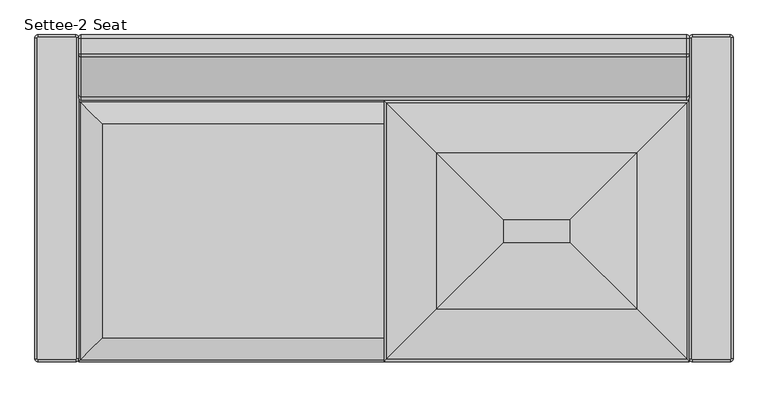
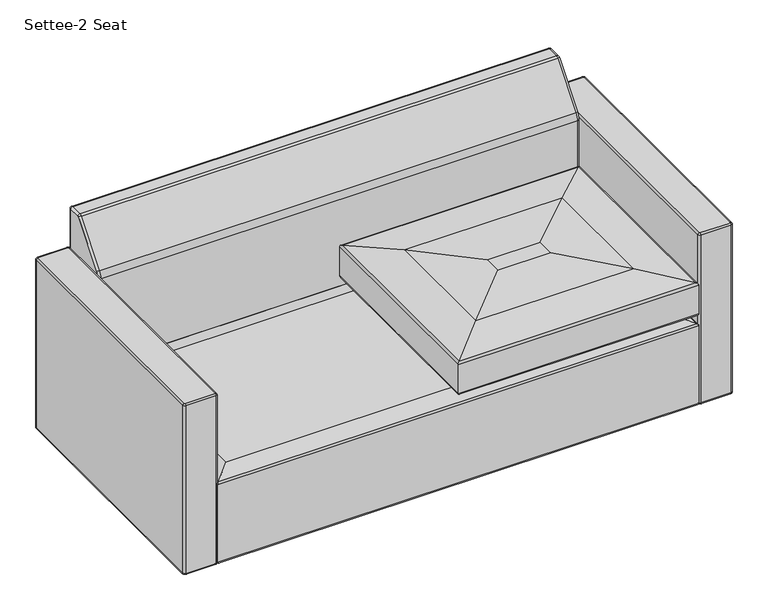
"""IFC4 building model written with IfcOpenShell, lengths in millimetres: furniture geometry, Settee-2 Seat."""

from ifc_helpers import new_model, si_unit, point, frame, origin, place, context, project, spatial, circle_curve, ellipse_curve, trimmed, source, transform, mapped, element, save
from ifc_brep_helpers import plane_surface, cylinder_surface, revolved_surface, advanced_brep


def settee_2_seat_960ef5c5(model_context):
    return source(origin(), model_context, "Body", "AdvancedBrep", [
        advanced_brep(
        [(0.0, -6.35, 61.722), (6.35, 0.0, 61.722), (6.35, -4.572, 57.15), (4.572, -6.35, 57.15), (0.0, -6.35, 585.8632541), (6.35, 0.0, 585.8632541), (4.572, -6.35, 590.4352541), (6.35, -4.572, 590.4352541), (4.572, -755.65, 57.15), (0.0, -755.65, 61.722), (0.0, -755.65, 585.8632541), (4.572, -755.65, 590.4352541), (6.35, -757.428, 57.15), (6.35, -762.0, 61.722), (6.35, -762.0, 585.8632541), (6.35, -757.428, 590.4352541), (95.25, -757.428, 57.15), (95.25, -762.0, 61.722), (95.25, -762.0, 585.8632541), (95.25, -757.428, 590.4352541), (97.028, -755.65, 57.15), (101.6, -755.65, 61.722), (101.6, -755.65, 585.8632541), (97.028, -755.65, 590.4352541), (97.028, -6.35, 57.15), (101.6, -6.35, 61.722), (101.6, -6.35, 585.8632541), (97.028, -6.35, 590.4352541), (95.25, -4.572, 57.15), (95.25, 0.0, 61.722), (95.25, 0.0, 585.8632541), (95.25, -4.572, 590.4352541)],
        [
            (0, 1, circle_curve(frame((6.35, -6.35, 61.722), z_axis=(0.0, 0.0, -1.0), x_axis=(0.0, 1.0, 0.0)), 6.35)),
            (1, 2, circle_curve(frame((6.35, -4.572, 61.722), z_axis=(-1.0, 0.0, 0.0), x_axis=(0.0, -1.0, 0.0)), 4.572)),
            (2, 3, circle_curve(frame((6.35, -6.35, 57.15), z_axis=(0.0, 0.0, 1.0), x_axis=(0.0, 1.0, 0.0)), 1.778)),
            (3, 0, circle_curve(frame((4.572, -6.35, 61.722), z_axis=(0.0, 1.0, 0.0), x_axis=(1.0, 0.0, 0.0)), 4.572)),
            (0, 4),
            (4, 5, circle_curve(frame((6.35, -6.35, 585.8632541), z_axis=(0.0, 0.0, -1.0), x_axis=(0.0, 1.0, 0.0)), 6.35)),
            (5, 1),
            (4, 6, circle_curve(frame((4.572, -6.35, 585.8632541), z_axis=(0.0, 1.0, 0.0), x_axis=(1.0, 0.0, 0.0)), 4.572)),
            (6, 7, circle_curve(frame((6.35, -6.35, 590.4352541), z_axis=(0.0, 0.0, -1.0), x_axis=(0.0, 1.0, 0.0)), 1.778)),
            (7, 5, circle_curve(frame((6.35, -4.572, 585.8632541), z_axis=(-1.0, 0.0, 0.0), x_axis=(0.0, -1.0, 0.0)), 4.572)),
            (3, 8),
            (8, 9, circle_curve(frame((4.572, -755.65, 61.722), z_axis=(0.0, 1.0, 0.0), x_axis=(1.0, 0.0, 0.0)), 4.572)),
            (9, 0),
            (9, 10),
            (10, 4),
            (10, 11, circle_curve(frame((4.572, -755.65, 585.8632541), z_axis=(0.0, 1.0, 0.0), x_axis=(1.0, 0.0, 0.0)), 4.572)),
            (11, 6),
            (8, 12, circle_curve(frame((6.35, -755.65, 57.15), z_axis=(0.0, 0.0, 1.0), x_axis=(-1.0, 0.0, 0.0)), 1.778)),
            (12, 13, circle_curve(frame((6.35, -757.428, 61.722), z_axis=(-1.0, 0.0, 0.0), x_axis=(0.0, 1.0, 0.0)), 4.572)),
            (13, 9, circle_curve(frame((6.35, -755.65, 61.722), z_axis=(0.0, 0.0, -1.0), x_axis=(-1.0, 0.0, 0.0)), 6.35)),
            (13, 14),
            (14, 10, circle_curve(frame((6.35, -755.65, 585.8632541), z_axis=(0.0, 0.0, -1.0), x_axis=(-1.0, 0.0, 0.0)), 6.35)),
            (14, 15, circle_curve(frame((6.35, -757.428, 585.8632541), z_axis=(-1.0, 0.0, 0.0), x_axis=(0.0, 1.0, 0.0)), 4.572)),
            (15, 11, circle_curve(frame((6.35, -755.65, 590.4352541), z_axis=(0.0, 0.0, -1.0), x_axis=(-1.0, 0.0, 0.0)), 1.778)),
            (12, 16),
            (16, 17, circle_curve(frame((95.25, -757.428, 61.722), z_axis=(-1.0, 0.0, 0.0), x_axis=(0.0, 1.0, 0.0)), 4.572)),
            (17, 13),
            (17, 18),
            (18, 14),
            (18, 19, circle_curve(frame((95.25, -757.428, 585.8632541), z_axis=(-1.0, 0.0, 0.0), x_axis=(0.0, 1.0, 0.0)), 4.572)),
            (19, 15),
            (16, 20, circle_curve(frame((95.25, -755.65, 57.15), z_axis=(0.0, 0.0, 1.0), x_axis=(0.0, -1.0, 0.0)), 1.778)),
            (20, 21, circle_curve(frame((97.028, -755.65, 61.722), z_axis=(0.0, -1.0, 0.0), x_axis=(-1.0, 0.0, 0.0)), 4.572)),
            (21, 17, circle_curve(frame((95.25, -755.65, 61.722), z_axis=(0.0, 0.0, -1.0), x_axis=(0.0, -1.0, 0.0)), 6.35)),
            (21, 22),
            (22, 18, circle_curve(frame((95.25, -755.65, 585.8632541), z_axis=(0.0, 0.0, -1.0), x_axis=(0.0, -1.0, 0.0)), 6.35)),
            (22, 23, circle_curve(frame((97.028, -755.65, 585.8632541), z_axis=(0.0, -1.0, 0.0), x_axis=(-1.0, 0.0, 0.0)), 4.572)),
            (23, 19, circle_curve(frame((95.25, -755.65, 590.4352541), z_axis=(0.0, 0.0, -1.0), x_axis=(0.0, -1.0, 0.0)), 1.778)),
            (20, 24),
            (24, 25, circle_curve(frame((97.028, -6.35, 61.722), z_axis=(0.0, -1.0, 0.0), x_axis=(-1.0, 0.0, 0.0)), 4.572)),
            (25, 21),
            (25, 26),
            (26, 22),
            (26, 27, circle_curve(frame((97.028, -6.35, 585.8632541), z_axis=(0.0, -1.0, 0.0), x_axis=(-1.0, 0.0, 0.0)), 4.572)),
            (27, 23),
            (24, 28, circle_curve(frame((95.25, -6.35, 57.15), z_axis=(0.0, 0.0, 1.0), x_axis=(1.0, 0.0, 0.0)), 1.778)),
            (28, 29, circle_curve(frame((95.25, -4.572, 61.722), z_axis=(1.0, 0.0, 0.0), x_axis=(0.0, -1.0, 0.0)), 4.572)),
            (29, 25, circle_curve(frame((95.25, -6.35, 61.722), z_axis=(0.0, 0.0, -1.0), x_axis=(1.0, 0.0, 0.0)), 6.35)),
            (29, 30),
            (30, 26, circle_curve(frame((95.25, -6.35, 585.8632541), z_axis=(0.0, 0.0, -1.0), x_axis=(1.0, 0.0, 0.0)), 6.35)),
            (30, 31, circle_curve(frame((95.25, -4.572, 585.8632541), z_axis=(1.0, 0.0, 0.0), x_axis=(0.0, -1.0, 0.0)), 4.572)),
            (31, 27, circle_curve(frame((95.25, -6.35, 590.4352541), z_axis=(0.0, 0.0, -1.0), x_axis=(1.0, 0.0, 0.0)), 1.778)),
            (2, 28),
            (1, 29),
            (5, 30),
            (7, 31),
        ],
        [
            revolved_surface(trimmed(ellipse_curve(frame((6.35, -4.572, 61.722), z_axis=(1.0, 0.0, 0.0), x_axis=(0.0, -1.0, 0.0)), 4.572, 4.572), [point((6.35, -4.572, 57.15))], [point((6.35, 0.0, 61.722))], True, "CARTESIAN"), (6.35, -6.35, 0.0), (0.0, 0.0, 1.0)),
            cylinder_surface(frame((6.35, -6.35, 0.0), z_axis=(0.0, 0.0, 1.0), x_axis=(0.0, 1.0, 0.0)), 6.35),
            revolved_surface(trimmed(ellipse_curve(frame((6.35, -4.572, 585.8632541), z_axis=(1.0, 0.0, 0.0), x_axis=(0.0, -1.0, 0.0)), 4.572, 4.572), [point((6.35, 0.0, 585.8632541))], [point((6.35, -4.572, 590.4352541))], True, "CARTESIAN"), (6.35, -6.35, 0.0), (0.0, 0.0, 1.0)),
            cylinder_surface(frame((4.572, -6.35, 61.722), z_axis=(0.0, 1.0, 0.0), x_axis=(1.0, 0.0, 0.0)), 4.572),
            plane_surface(frame((0.0, -6.35, 61.722), z_axis=(-1.0, 0.0, 0.0), x_axis=(0.0, -1.0, 0.0))),
            cylinder_surface(frame((4.572, -6.35, 585.8632541), z_axis=(0.0, 1.0, 0.0), x_axis=(1.0, 0.0, 0.0)), 4.572),
            revolved_surface(trimmed(ellipse_curve(frame((4.572, -755.65, 61.722), z_axis=(0.0, 1.0, 0.0), x_axis=(1.0, 0.0, 0.0)), 4.572, 4.572), [point((4.572, -755.65, 57.15))], [point((0.0, -755.65, 61.722))], True, "CARTESIAN"), (6.35, -755.65, 0.0), (0.0, 0.0, 1.0)),
            cylinder_surface(frame((6.35, -755.65, 0.0), z_axis=(0.0, 0.0, 1.0), x_axis=(-1.0, 0.0, 0.0)), 6.35),
            revolved_surface(trimmed(ellipse_curve(frame((4.572, -755.65, 585.8632541), z_axis=(0.0, 1.0, 0.0), x_axis=(1.0, 0.0, 0.0)), 4.572, 4.572), [point((0.0, -755.65, 585.8632541))], [point((4.572, -755.65, 590.4352541))], True, "CARTESIAN"), (6.35, -755.65, 0.0), (0.0, 0.0, 1.0)),
            cylinder_surface(frame((6.35, -757.428, 61.722), z_axis=(-1.0, 0.0, 0.0), x_axis=(0.0, 1.0, 0.0)), 4.572),
            plane_surface(frame((6.35, -762.0, 61.722), z_axis=(0.0, -1.0, 0.0), x_axis=(1.0, 0.0, 0.0))),
            cylinder_surface(frame((6.35, -757.428, 585.8632541), z_axis=(-1.0, 0.0, 0.0), x_axis=(0.0, 1.0, 0.0)), 4.572),
            revolved_surface(trimmed(ellipse_curve(frame((95.25, -757.428, 61.722), z_axis=(-1.0, 0.0, 0.0), x_axis=(0.0, 1.0, 0.0)), 4.572, 4.572), [point((95.25, -757.428, 57.15))], [point((95.25, -762.0, 61.722))], True, "CARTESIAN"), (95.25, -755.65, 0.0), (0.0, 0.0, 1.0)),
            cylinder_surface(frame((95.25, -755.65, 0.0), z_axis=(0.0, 0.0, 1.0), x_axis=(0.0, -1.0, 0.0)), 6.35),
            revolved_surface(trimmed(ellipse_curve(frame((95.25, -757.428, 585.8632541), z_axis=(-1.0, 0.0, 0.0), x_axis=(0.0, 1.0, 0.0)), 4.572, 4.572), [point((95.25, -762.0, 585.8632541))], [point((95.25, -757.428, 590.4352541))], True, "CARTESIAN"), (95.25, -755.65, 0.0), (0.0, 0.0, 1.0)),
            cylinder_surface(frame((97.028, -755.65, 61.722), z_axis=(0.0, -1.0, 0.0), x_axis=(-1.0, 0.0, 0.0)), 4.572),
            plane_surface(frame((101.6, -755.65, 61.722), z_axis=(1.0, 0.0, 0.0), x_axis=(0.0, 1.0, 0.0))),
            cylinder_surface(frame((97.028, -755.65, 585.8632541), z_axis=(0.0, -1.0, 0.0), x_axis=(-1.0, 0.0, 0.0)), 4.572),
            revolved_surface(trimmed(ellipse_curve(frame((97.028, -6.35, 61.722), z_axis=(0.0, -1.0, 0.0), x_axis=(-1.0, 0.0, 0.0)), 4.572, 4.572), [point((97.028, -6.35, 57.15))], [point((101.6, -6.35, 61.722))], True, "CARTESIAN"), (95.25, -6.35, 0.0), (0.0, 0.0, 1.0)),
            cylinder_surface(frame((95.25, -6.35, 0.0), z_axis=(0.0, 0.0, 1.0), x_axis=(1.0, 0.0, 0.0)), 6.35),
            revolved_surface(trimmed(ellipse_curve(frame((97.028, -6.35, 585.8632541), z_axis=(0.0, -1.0, 0.0), x_axis=(-1.0, 0.0, 0.0)), 4.572, 4.572), [point((101.6, -6.35, 585.8632541))], [point((97.028, -6.35, 590.4352541))], True, "CARTESIAN"), (95.25, -6.35, 0.0), (0.0, 0.0, 1.0)),
            plane_surface(frame((95.25, -5.588, 57.15), z_axis=(0.0, 0.0, -1.0), x_axis=(-1.0, 0.0, 0.0))),
            cylinder_surface(frame((95.25, -4.572, 61.722), z_axis=(1.0, 0.0, 0.0), x_axis=(0.0, -1.0, 0.0)), 4.572),
            plane_surface(frame((95.25, 0.0, 61.722), z_axis=(0.0, 1.0, 0.0), x_axis=(-1.0, 0.0, 0.0))),
            cylinder_surface(frame((95.25, -4.572, 585.8632541), z_axis=(1.0, 0.0, 0.0), x_axis=(0.0, -1.0, 0.0)), 4.572),
            plane_surface(frame((95.25, -4.572, 590.4352541), z_axis=(0.0, 0.0, 1.0), x_axis=(-1.0, 0.0, 0.0))),
        ],
        [
            (0, [[1, 2, 3, 4]]),
            (1, [[-1, 5, 6, 7]]),
            (2, [[-6, 8, 9, 10]]),
            (3, [[-4, 11, 12, 13]]),
            (4, [[-5, -13, 14, 15]]),
            (5, [[-8, -15, 16, 17]]),
            (6, [[-12, 18, 19, 20]]),
            (7, [[-14, -20, 21, 22]]),
            (8, [[-16, -22, 23, 24]]),
            (9, [[-19, 25, 26, 27]]),
            (10, [[-21, -27, 28, 29]]),
            (11, [[-23, -29, 30, 31]]),
            (12, [[-26, 32, 33, 34]]),
            (13, [[-28, -34, 35, 36]]),
            (14, [[-30, -36, 37, 38]]),
            (15, [[-33, 39, 40, 41]]),
            (16, [[-35, -41, 42, 43]]),
            (17, [[-37, -43, 44, 45]]),
            (18, [[-40, 46, 47, 48]]),
            (19, [[-42, -48, 49, 50]]),
            (20, [[-44, -50, 51, 52]]),
            (21, [[-3, 53, -46, -39, -32, -25, -18, -11]]),
            (22, [[-2, 54, -47, -53]]),
            (23, [[-7, 55, -49, -54]]),
            (24, [[-10, 56, -51, -55]]),
            (25, [[-9, -17, -24, -31, -38, -45, -52, -56]]),
        ],
    ),
        advanced_brep(
        [(101.6, -762.0, 63.5), (107.95, -755.65, 57.15), (1517.65, -755.65, 57.15), (1524.0, -762.0, 63.5), (1524.0, -762.0, 305.4352053), (101.6, -762.0, 305.4352053), (1520.344765, -758.344765, 311.1850523), (105.255235, -758.344765, 311.1850523), (1469.0981467, -707.0981467, 323.8599964), (156.5018533, -707.0981467, 323.8599964), (1517.65, -158.75, 57.15), (1524.0, -152.4, 63.5), (1524.0, -152.4, 305.4352053), (1520.344765, -156.055235, 311.1850523), (1469.0981467, -207.3018533, 323.8599964), (107.95, -158.75, 57.15), (101.6, -152.4, 63.5), (101.6, -152.4, 305.4352053), (105.255235, -156.055235, 311.1850523), (156.5018533, -207.3018533, 323.8599964)],
        [
            (0, 1, ellipse_curve(frame((107.95, -755.65, 63.5), z_axis=(0.7071067811865475, -0.7071067811865475, 0.0), x_axis=(-0.7071067811865476, -0.7071067811865474, 0.0)), 8.9802561, 6.35)),
            (1, 2),
            (2, 3, ellipse_curve(frame((1517.65, -755.65, 63.5), z_axis=(-0.7071067811865475, -0.7071067811865475, 0.0), x_axis=(-0.7071067811865476, 0.7071067811865474, 0.0)), 8.9802561, 6.35)),
            (3, 0),
            (3, 4),
            (4, 5),
            (5, 0),
            (4, 6, ellipse_curve(frame((1517.65, -755.65, 305.4352053), z_axis=(-0.7071067811865475, -0.7071067811865475, 0.0), x_axis=(-0.7071067811865476, 0.7071067811865474, 0.0)), 8.9802561, 6.35)),
            (6, 7),
            (7, 5, ellipse_curve(frame((107.95, -755.65, 305.4352053), z_axis=(0.7071067811865475, -0.7071067811865475, 0.0), x_axis=(-0.7071067811865476, -0.7071067811865474, 0.0)), 8.9802561, 6.35)),
            (6, 8, ellipse_curve(frame((1462.7694749, -700.7694749, 188.3360783), z_axis=(-0.7071067811865475, -0.7071067811865475, 0.0), x_axis=(-0.7071067811865476, 0.7071067811865474, 0.0)), 191.8686241, 135.6716052)),
            (8, 9),
            (9, 7, ellipse_curve(frame((162.8305251, -700.7694749, 188.3360783), z_axis=(0.7071067811865475, -0.7071067811865475, 0.0), x_axis=(-0.7071067811865476, -0.7071067811865474, 0.0)), 191.8686241, 135.6716052)),
            (2, 10),
            (10, 11, ellipse_curve(frame((1517.65, -158.75, 63.5), z_axis=(0.7071067811865475, -0.7071067811865475, 0.0), x_axis=(-0.7071067811865474, -0.7071067811865476, 0.0)), 8.9802561, 6.35)),
            (11, 3),
            (11, 12),
            (12, 4),
            (12, 13, ellipse_curve(frame((1517.65, -158.75, 305.4352053), z_axis=(0.7071067811865475, -0.7071067811865475, 0.0), x_axis=(-0.7071067811865474, -0.7071067811865476, 0.0)), 8.9802561, 6.35)),
            (13, 6),
            (13, 14, ellipse_curve(frame((1462.7694749, -213.6305251, 188.3360783), z_axis=(0.7071067811865475, -0.7071067811865475, 0.0), x_axis=(-0.7071067811865474, -0.7071067811865476, 0.0)), 191.8686241, 135.6716052)),
            (14, 8),
            (10, 15),
            (15, 16, ellipse_curve(frame((107.95, -158.75, 63.5), z_axis=(0.7071067811865475, 0.7071067811865475, 0.0), x_axis=(0.7071067811865476, -0.7071067811865474, 0.0)), 8.9802561, 6.35)),
            (16, 11),
            (16, 17),
            (17, 12),
            (17, 18, ellipse_curve(frame((107.95, -158.75, 305.4352053), z_axis=(0.7071067811865475, 0.7071067811865475, 0.0), x_axis=(0.7071067811865476, -0.7071067811865474, 0.0)), 8.9802561, 6.35)),
            (18, 13),
            (18, 19, ellipse_curve(frame((162.8305251, -213.6305251, 188.3360783), z_axis=(0.7071067811865475, 0.7071067811865475, 0.0), x_axis=(0.7071067811865476, -0.7071067811865474, 0.0)), 191.8686241, 135.6716052)),
            (19, 14),
            (1, 15),
            (0, 16),
            (5, 17),
            (7, 18),
            (9, 19),
        ],
        [
            cylinder_surface(frame((101.6, -755.65, 63.5), z_axis=(-1.0, 0.0, 0.0), x_axis=(0.0, 1.0, 0.0)), 6.35),
            plane_surface(frame((101.6, -762.0, 63.5), z_axis=(0.0, -1.0, 0.0), x_axis=(1.0, 0.0, 0.0))),
            cylinder_surface(frame((101.6, -755.65, 305.4352053), z_axis=(-1.0, 0.0, 0.0), x_axis=(0.0, 1.0, 0.0)), 6.35),
            cylinder_surface(frame((101.6, -700.7694749, 188.3360783), z_axis=(-1.0, 0.0, 0.0), x_axis=(0.0, 1.0, 0.0)), 135.6716052),
            cylinder_surface(frame((1517.65, -762.0, 63.5), z_axis=(0.0, -1.0, 0.0), x_axis=(-1.0, 0.0, 0.0)), 6.35),
            plane_surface(frame((1524.0, -762.0, 63.5), z_axis=(1.0, 0.0, 0.0), x_axis=(0.0, 1.0, 0.0))),
            cylinder_surface(frame((1517.65, -762.0, 305.4352053), z_axis=(0.0, -1.0, 0.0), x_axis=(-1.0, 0.0, 0.0)), 6.35),
            cylinder_surface(frame((1462.7694749, -762.0, 188.3360783), z_axis=(0.0, -1.0, 0.0), x_axis=(-1.0, 0.0, 0.0)), 135.6716052),
            cylinder_surface(frame((1524.0, -158.75, 63.5), z_axis=(1.0, 0.0, 0.0), x_axis=(0.0, -1.0, 0.0)), 6.35),
            plane_surface(frame((1524.0, -152.4, 63.5), z_axis=(0.0, 1.0, 0.0), x_axis=(-1.0, 0.0, 0.0))),
            cylinder_surface(frame((1524.0, -158.75, 305.4352053), z_axis=(1.0, 0.0, 0.0), x_axis=(0.0, -1.0, 0.0)), 6.35),
            cylinder_surface(frame((1524.0, -213.6305251, 188.3360783), z_axis=(1.0, 0.0, 0.0), x_axis=(0.0, -1.0, 0.0)), 135.6716052),
            plane_surface(frame((381.0, -431.8, 57.15), z_axis=(0.0, 0.0, -1.0), x_axis=(0.0, -1.0, 0.0))),
            cylinder_surface(frame((107.95, -152.4, 63.5), z_axis=(0.0, 1.0, 0.0), x_axis=(1.0, 0.0, 0.0)), 6.35),
            plane_surface(frame((101.6, -152.4, 63.5), z_axis=(-1.0, 0.0, 0.0), x_axis=(0.0, -1.0, 0.0))),
            cylinder_surface(frame((107.95, -152.4, 305.4352053), z_axis=(0.0, 1.0, 0.0), x_axis=(1.0, 0.0, 0.0)), 6.35),
            cylinder_surface(frame((162.8305251, -152.4, 188.3360783), z_axis=(0.0, 1.0, 0.0), x_axis=(1.0, 0.0, 0.0)), 135.6716052),
            plane_surface(frame((156.5018533, -207.3018533, 323.8599964), z_axis=(0.0, 0.0, 1.0), x_axis=(0.0, -1.0, 0.0))),
        ],
        [
            (0, [[1, 2, 3, 4]]),
            (1, [[-4, 5, 6, 7]]),
            (2, [[-6, 8, 9, 10]]),
            (3, [[-9, 11, 12, 13]]),
            (4, [[-3, 14, 15, 16]]),
            (5, [[-5, -16, 17, 18]]),
            (6, [[-8, -18, 19, 20]]),
            (7, [[-11, -20, 21, 22]]),
            (8, [[-15, 23, 24, 25]]),
            (9, [[-17, -25, 26, 27]]),
            (10, [[-19, -27, 28, 29]]),
            (11, [[-21, -29, 30, 31]]),
            (12, [[-2, 32, -23, -14]]),
            (13, [[-1, 33, -24, -32]]),
            (14, [[-7, 34, -26, -33]]),
            (15, [[-10, 35, -28, -34]]),
            (16, [[-13, 36, -30, -35]]),
            (17, [[-12, -22, -31, -36]]),
        ],
    ),
        advanced_brep(
        [(1524.0, -6.35, 61.722), (1530.35, 0.0, 61.722), (1530.35, -4.572, 57.15), (1528.572, -6.35, 57.15), (1524.0, -6.35, 585.8632541), (1530.35, 0.0, 585.8632541), (1528.572, -6.35, 590.4352541), (1530.35, -4.572, 590.4352541), (1528.572, -755.526553, 57.15), (1524.0, -755.526553, 61.722), (1524.0, -755.526553, 585.8632541), (1528.572, -755.526553, 590.4352541), (1530.35, -757.304553, 57.15), (1530.35, -761.876553, 61.722), (1530.35, -761.876553, 585.8632541), (1530.35, -757.304553, 590.4352541), (1619.25, -757.304553, 57.15), (1619.25, -761.876553, 61.722), (1619.25, -761.876553, 585.8632541), (1619.25, -757.304553, 590.4352541), (1621.028, -755.526553, 57.15), (1625.6, -755.526553, 61.722), (1625.6, -755.526553, 585.8632541), (1621.028, -755.526553, 590.4352541), (1621.028, -6.35, 57.15), (1625.6, -6.35, 61.722), (1625.6, -6.35, 585.8632541), (1621.028, -6.35, 590.4352541), (1619.25, -4.572, 57.15), (1619.25, 0.0, 61.722), (1619.25, 0.0, 585.8632541), (1619.25, -4.572, 590.4352541)],
        [
            (0, 1, circle_curve(frame((1530.35, -6.35, 61.722), z_axis=(0.0, 0.0, -1.0), x_axis=(0.0, 1.0, 0.0)), 6.35)),
            (1, 2, circle_curve(frame((1530.35, -4.572, 61.722), z_axis=(-1.0, 0.0, 0.0), x_axis=(0.0, -1.0, 0.0)), 4.572)),
            (2, 3, circle_curve(frame((1530.35, -6.35, 57.15), z_axis=(0.0, 0.0, 1.0), x_axis=(0.0, 1.0, 0.0)), 1.778)),
            (3, 0, circle_curve(frame((1528.572, -6.35, 61.722), z_axis=(0.0, 1.0, 0.0), x_axis=(1.0, 0.0, 0.0)), 4.572)),
            (0, 4),
            (4, 5, circle_curve(frame((1530.35, -6.35, 585.8632541), z_axis=(0.0, 0.0, -1.0), x_axis=(0.0, 1.0, 0.0)), 6.35)),
            (5, 1),
            (4, 6, circle_curve(frame((1528.572, -6.35, 585.8632541), z_axis=(0.0, 1.0, 0.0), x_axis=(1.0, 0.0, 0.0)), 4.572)),
            (6, 7, circle_curve(frame((1530.35, -6.35, 590.4352541), z_axis=(0.0, 0.0, -1.0), x_axis=(0.0, 1.0, 0.0)), 1.778)),
            (7, 5, circle_curve(frame((1530.35, -4.572, 585.8632541), z_axis=(-1.0, 0.0, 0.0), x_axis=(0.0, -1.0, 0.0)), 4.572)),
            (3, 8),
            (8, 9, circle_curve(frame((1528.572, -755.526553, 61.722), z_axis=(0.0, 1.0, 0.0), x_axis=(1.0, 0.0, 0.0)), 4.572)),
            (9, 0),
            (9, 10),
            (10, 4),
            (10, 11, circle_curve(frame((1528.572, -755.526553, 585.8632541), z_axis=(0.0, 1.0, 0.0), x_axis=(1.0, 0.0, 0.0)), 4.572)),
            (11, 6),
            (8, 12, circle_curve(frame((1530.35, -755.526553, 57.15), z_axis=(0.0, 0.0, 1.0), x_axis=(-1.0, 0.0, 0.0)), 1.778)),
            (12, 13, circle_curve(frame((1530.35, -757.304553, 61.722), z_axis=(-1.0, 0.0, 0.0), x_axis=(0.0, 1.0, 0.0)), 4.572)),
            (13, 9, circle_curve(frame((1530.35, -755.526553, 61.722), z_axis=(0.0, 0.0, -1.0), x_axis=(-1.0, 0.0, 0.0)), 6.35)),
            (13, 14),
            (14, 10, circle_curve(frame((1530.35, -755.526553, 585.8632541), z_axis=(0.0, 0.0, -1.0), x_axis=(-1.0, 0.0, 0.0)), 6.35)),
            (14, 15, circle_curve(frame((1530.35, -757.304553, 585.8632541), z_axis=(-1.0, 0.0, 0.0), x_axis=(0.0, 1.0, 0.0)), 4.572)),
            (15, 11, circle_curve(frame((1530.35, -755.526553, 590.4352541), z_axis=(0.0, 0.0, -1.0), x_axis=(-1.0, 0.0, 0.0)), 1.778)),
            (12, 16),
            (16, 17, circle_curve(frame((1619.25, -757.304553, 61.722), z_axis=(-1.0, 0.0, 0.0), x_axis=(0.0, 1.0, 0.0)), 4.572)),
            (17, 13),
            (17, 18),
            (18, 14),
            (18, 19, circle_curve(frame((1619.25, -757.304553, 585.8632541), z_axis=(-1.0, 0.0, 0.0), x_axis=(0.0, 1.0, 0.0)), 4.572)),
            (19, 15),
            (16, 20, circle_curve(frame((1619.25, -755.526553, 57.15), z_axis=(0.0, 0.0, 1.0), x_axis=(0.0, -1.0, 0.0)), 1.778)),
            (20, 21, circle_curve(frame((1621.028, -755.526553, 61.722), z_axis=(0.0, -1.0, 0.0), x_axis=(-1.0, 0.0, 0.0)), 4.572)),
            (21, 17, circle_curve(frame((1619.25, -755.526553, 61.722), z_axis=(0.0, 0.0, -1.0), x_axis=(0.0, -1.0, 0.0)), 6.35)),
            (21, 22),
            (22, 18, circle_curve(frame((1619.25, -755.526553, 585.8632541), z_axis=(0.0, 0.0, -1.0), x_axis=(0.0, -1.0, 0.0)), 6.35)),
            (22, 23, circle_curve(frame((1621.028, -755.526553, 585.8632541), z_axis=(0.0, -1.0, 0.0), x_axis=(-1.0, 0.0, 0.0)), 4.572)),
            (23, 19, circle_curve(frame((1619.25, -755.526553, 590.4352541), z_axis=(0.0, 0.0, -1.0), x_axis=(0.0, -1.0, 0.0)), 1.778)),
            (20, 24),
            (24, 25, circle_curve(frame((1621.028, -6.35, 61.722), z_axis=(0.0, -1.0, 0.0), x_axis=(-1.0, 0.0, 0.0)), 4.572)),
            (25, 21),
            (25, 26),
            (26, 22),
            (26, 27, circle_curve(frame((1621.028, -6.35, 585.8632541), z_axis=(0.0, -1.0, 0.0), x_axis=(-1.0, 0.0, 0.0)), 4.572)),
            (27, 23),
            (24, 28, circle_curve(frame((1619.25, -6.35, 57.15), z_axis=(0.0, 0.0, 1.0), x_axis=(1.0, 0.0, 0.0)), 1.778)),
            (28, 29, circle_curve(frame((1619.25, -4.572, 61.722), z_axis=(1.0, 0.0, 0.0), x_axis=(0.0, -1.0, 0.0)), 4.572)),
            (29, 25, circle_curve(frame((1619.25, -6.35, 61.722), z_axis=(0.0, 0.0, -1.0), x_axis=(1.0, 0.0, 0.0)), 6.35)),
            (29, 30),
            (30, 26, circle_curve(frame((1619.25, -6.35, 585.8632541), z_axis=(0.0, 0.0, -1.0), x_axis=(1.0, 0.0, 0.0)), 6.35)),
            (30, 31, circle_curve(frame((1619.25, -4.572, 585.8632541), z_axis=(1.0, 0.0, 0.0), x_axis=(0.0, -1.0, 0.0)), 4.572)),
            (31, 27, circle_curve(frame((1619.25, -6.35, 590.4352541), z_axis=(0.0, 0.0, -1.0), x_axis=(1.0, 0.0, 0.0)), 1.778)),
            (2, 28),
            (1, 29),
            (5, 30),
            (7, 31),
        ],
        [
            revolved_surface(trimmed(ellipse_curve(frame((1530.35, -4.572, 61.722), z_axis=(1.0, 0.0, 0.0), x_axis=(0.0, -1.0, 0.0)), 4.572, 4.572), [point((1530.35, -4.572, 57.15))], [point((1530.35, 0.0, 61.722))], True, "CARTESIAN"), (1530.35, -6.35, 0.0), (0.0, 0.0, 1.0)),
            cylinder_surface(frame((1530.35, -6.35, 0.0), z_axis=(0.0, 0.0, 1.0), x_axis=(0.0, 1.0, 0.0)), 6.35),
            revolved_surface(trimmed(ellipse_curve(frame((1530.35, -4.572, 585.8632541), z_axis=(1.0, 0.0, 0.0), x_axis=(0.0, -1.0, 0.0)), 4.572, 4.572), [point((1530.35, 0.0, 585.8632541))], [point((1530.35, -4.572, 590.4352541))], True, "CARTESIAN"), (1530.35, -6.35, 0.0), (0.0, 0.0, 1.0)),
            cylinder_surface(frame((1528.572, -6.35, 61.722), z_axis=(0.0, 1.0, 0.0), x_axis=(1.0, 0.0, 0.0)), 4.572),
            plane_surface(frame((1524.0, -6.35, 61.722), z_axis=(-1.0, 0.0, 0.0), x_axis=(0.0, -1.0, 0.0))),
            cylinder_surface(frame((1528.572, -6.35, 585.8632541), z_axis=(0.0, 1.0, 0.0), x_axis=(1.0, 0.0, 0.0)), 4.572),
            revolved_surface(trimmed(ellipse_curve(frame((1528.572, -755.526553, 61.722), z_axis=(0.0, 1.0, 0.0), x_axis=(1.0, 0.0, 0.0)), 4.572, 4.572), [point((1528.572, -755.526553, 57.15))], [point((1524.0, -755.526553, 61.722))], True, "CARTESIAN"), (1530.35, -755.526553, 0.0), (0.0, 0.0, 1.0)),
            cylinder_surface(frame((1530.35, -755.526553, 0.0), z_axis=(0.0, 0.0, 1.0), x_axis=(-1.0, 0.0, 0.0)), 6.35),
            revolved_surface(trimmed(ellipse_curve(frame((1528.572, -755.526553, 585.8632541), z_axis=(0.0, 1.0, 0.0), x_axis=(1.0, 0.0, 0.0)), 4.572, 4.572), [point((1524.0, -755.526553, 585.8632541))], [point((1528.572, -755.526553, 590.4352541))], True, "CARTESIAN"), (1530.35, -755.526553, 0.0), (0.0, 0.0, 1.0)),
            cylinder_surface(frame((1530.35, -757.304553, 61.722), z_axis=(-1.0, 0.0, 0.0), x_axis=(0.0, 1.0, 0.0)), 4.572),
            plane_surface(frame((1530.35, -761.876553, 61.722), z_axis=(0.0, -1.0, 0.0), x_axis=(1.0, 0.0, 0.0))),
            cylinder_surface(frame((1530.35, -757.304553, 585.8632541), z_axis=(-1.0, 0.0, 0.0), x_axis=(0.0, 1.0, 0.0)), 4.572),
            revolved_surface(trimmed(ellipse_curve(frame((1619.25, -757.304553, 61.722), z_axis=(-1.0, 0.0, 0.0), x_axis=(0.0, 1.0, 0.0)), 4.572, 4.572), [point((1619.25, -757.304553, 57.15))], [point((1619.25, -761.876553, 61.722))], True, "CARTESIAN"), (1619.25, -755.526553, 0.0), (0.0, 0.0, 1.0)),
            cylinder_surface(frame((1619.25, -755.526553, 0.0), z_axis=(0.0, 0.0, 1.0), x_axis=(0.0, -1.0, 0.0)), 6.35),
            revolved_surface(trimmed(ellipse_curve(frame((1619.25, -757.304553, 585.8632541), z_axis=(-1.0, 0.0, 0.0), x_axis=(0.0, 1.0, 0.0)), 4.572, 4.572), [point((1619.25, -761.876553, 585.8632541))], [point((1619.25, -757.304553, 590.4352541))], True, "CARTESIAN"), (1619.25, -755.526553, 0.0), (0.0, 0.0, 1.0)),
            cylinder_surface(frame((1621.028, -755.526553, 61.722), z_axis=(0.0, -1.0, 0.0), x_axis=(-1.0, 0.0, 0.0)), 4.572),
            plane_surface(frame((1625.6, -755.526553, 61.722), z_axis=(1.0, 0.0, 0.0), x_axis=(0.0, 1.0, 0.0))),
            cylinder_surface(frame((1621.028, -755.526553, 585.8632541), z_axis=(0.0, -1.0, 0.0), x_axis=(-1.0, 0.0, 0.0)), 4.572),
            revolved_surface(trimmed(ellipse_curve(frame((1621.028, -6.35, 61.722), z_axis=(0.0, -1.0, 0.0), x_axis=(-1.0, 0.0, 0.0)), 4.572, 4.572), [point((1621.028, -6.35, 57.15))], [point((1625.6, -6.35, 61.722))], True, "CARTESIAN"), (1619.25, -6.35, 0.0), (0.0, 0.0, 1.0)),
            cylinder_surface(frame((1619.25, -6.35, 0.0), z_axis=(0.0, 0.0, 1.0), x_axis=(1.0, 0.0, 0.0)), 6.35),
            revolved_surface(trimmed(ellipse_curve(frame((1621.028, -6.35, 585.8632541), z_axis=(0.0, -1.0, 0.0), x_axis=(-1.0, 0.0, 0.0)), 4.572, 4.572), [point((1625.6, -6.35, 585.8632541))], [point((1621.028, -6.35, 590.4352541))], True, "CARTESIAN"), (1619.25, -6.35, 0.0), (0.0, 0.0, 1.0)),
            plane_surface(frame((1619.25, -5.588, 57.15), z_axis=(0.0, 0.0, -1.0), x_axis=(-1.0, 0.0, 0.0))),
            cylinder_surface(frame((1619.25, -4.572, 61.722), z_axis=(1.0, 0.0, 0.0), x_axis=(0.0, -1.0, 0.0)), 4.572),
            plane_surface(frame((1619.25, 0.0, 61.722), z_axis=(0.0, 1.0, 0.0), x_axis=(-1.0, 0.0, 0.0))),
            cylinder_surface(frame((1619.25, -4.572, 585.8632541), z_axis=(1.0, 0.0, 0.0), x_axis=(0.0, -1.0, 0.0)), 4.572),
            plane_surface(frame((1619.25, -4.572, 590.4352541), z_axis=(0.0, 0.0, 1.0), x_axis=(-1.0, 0.0, 0.0))),
        ],
        [
            (0, [[1, 2, 3, 4]]),
            (1, [[-1, 5, 6, 7]]),
            (2, [[-6, 8, 9, 10]]),
            (3, [[-4, 11, 12, 13]]),
            (4, [[-5, -13, 14, 15]]),
            (5, [[-8, -15, 16, 17]]),
            (6, [[-12, 18, 19, 20]]),
            (7, [[-14, -20, 21, 22]]),
            (8, [[-16, -22, 23, 24]]),
            (9, [[-19, 25, 26, 27]]),
            (10, [[-21, -27, 28, 29]]),
            (11, [[-23, -29, 30, 31]]),
            (12, [[-26, 32, 33, 34]]),
            (13, [[-28, -34, 35, 36]]),
            (14, [[-30, -36, 37, 38]]),
            (15, [[-33, 39, 40, 41]]),
            (16, [[-35, -41, 42, 43]]),
            (17, [[-37, -43, 44, 45]]),
            (18, [[-40, 46, 47, 48]]),
            (19, [[-42, -48, 49, 50]]),
            (20, [[-44, -50, 51, 52]]),
            (21, [[-3, 53, -46, -39, -32, -25, -18, -11]]),
            (22, [[-2, 54, -47, -53]]),
            (23, [[-7, 55, -49, -54]]),
            (24, [[-10, 56, -51, -55]]),
            (25, [[-9, -17, -24, -31, -38, -45, -52, -56]]),
        ],
    ),
        advanced_brep(
        [(816.4589271, -758.2176259, 336.5161259), (867.7018533, -706.9746997, 323.8599964), (1469.0981467, -706.9746997, 323.8599964), (1520.3410729, -758.2176259, 336.5161259), (1524.0, -761.876553, 342.2677019), (812.8, -761.876553, 342.2677019), (1524.0, -761.876553, 431.6520878), (812.8, -761.876553, 431.6520878), (1518.4617206, -756.3382736, 437.949993), (818.3382794, -756.3382736, 437.949993), (1402.4501341, -640.326687, 452.9024246), (934.3498659, -640.326687, 452.9024246), (1246.599776, -484.476329, 462.9046302), (1090.200224, -484.476329, 462.9046302), (1469.0981467, -207.3018533, 323.8599964), (1520.3410729, -156.0589271, 336.5161259), (1524.0, -152.4, 342.2677019), (1524.0, -152.4, 431.6520878), (1518.4617206, -157.9382794, 437.949993), (1402.4501341, -273.9498659, 452.9024246), (1246.599776, -429.800224, 462.9046302), (867.7018533, -207.3018533, 323.8599964), (816.4589271, -156.0589271, 336.5161259), (812.8, -152.4, 342.2677019), (812.8, -152.4, 431.6520878), (818.3382794, -157.9382794, 437.949993), (934.3498659, -273.9498659, 452.9024246), (1090.200224, -429.800224, 462.9046302)],
        [
            (0, 1, ellipse_curve(frame((874.0373178, -700.6392352, 459.5772619), z_axis=(0.7071067811865475, -0.7071067811865475, 0.0), x_axis=(-0.7071067811865476, -0.7071067811865474, 0.0)), 192.1422091, 135.865059)),
            (1, 2),
            (2, 3, ellipse_curve(frame((1462.7626822, -700.6392352, 459.5772619), z_axis=(-0.7071067811865475, -0.7071067811865475, 0.0), x_axis=(-0.7071067811865476, 0.7071067811865474, 0.0)), 192.1422091, 135.865059)),
            (3, 0),
            (3, 4, ellipse_curve(frame((1517.65, -755.526553, 342.2677019), z_axis=(-0.7071067811865475, -0.7071067811865475, 0.0), x_axis=(-0.7071067811865476, 0.7071067811865474, 0.0)), 8.9802561, 6.35)),
            (4, 5),
            (5, 0, ellipse_curve(frame((819.15, -755.526553, 342.2677019), z_axis=(0.7071067811865475, -0.7071067811865475, 0.0), x_axis=(-0.7071067811865476, -0.7071067811865474, 0.0)), 8.9802561, 6.35)),
            (4, 6),
            (6, 7),
            (7, 5),
            (6, 8, ellipse_curve(frame((1517.65, -755.526553, 431.6520878), z_axis=(-0.7071067811865475, -0.7071067811865475, 0.0), x_axis=(-0.7071067811865476, 0.7071067811865474, 0.0)), 8.9802561, 6.35)),
            (8, 9),
            (9, 7, ellipse_curve(frame((819.15, -755.526553, 431.6520878), z_axis=(0.7071067811865475, -0.7071067811865475, 0.0), x_axis=(-0.7071067811865476, -0.7071067811865474, 0.0)), 8.9802561, 6.35)),
            (8, 10),
            (10, 11),
            (11, 9),
            (10, 12, ellipse_curve(frame((1246.599776, -484.476329, -756.2953698), z_axis=(-0.7071067811865475, -0.7071067811865475, 0.0), x_axis=(-0.7071067811865476, 0.7071067811865474, 0.0)), 1724.2091752, 1219.2)),
            (12, 13),
            (13, 11, ellipse_curve(frame((1090.200224, -484.476329, -756.2953698), z_axis=(0.7071067811865475, -0.7071067811865475, 0.0), x_axis=(-0.7071067811865476, -0.7071067811865474, 0.0)), 1724.2091752, 1219.2)),
            (2, 14),
            (14, 15, ellipse_curve(frame((1462.7626822, -213.6373178, 459.5772619), z_axis=(0.7071067811865475, -0.7071067811865475, 0.0), x_axis=(-0.7071067811865474, -0.7071067811865476, 0.0)), 192.1422091, 135.865059)),
            (15, 3),
            (15, 16, ellipse_curve(frame((1517.65, -158.75, 342.2677019), z_axis=(0.7071067811865475, -0.7071067811865475, 0.0), x_axis=(-0.7071067811865474, -0.7071067811865476, 0.0)), 8.9802561, 6.35)),
            (16, 4),
            (16, 17),
            (17, 6),
            (17, 18, ellipse_curve(frame((1517.65, -158.75, 431.6520878), z_axis=(0.7071067811865475, -0.7071067811865475, 0.0), x_axis=(-0.7071067811865474, -0.7071067811865476, 0.0)), 8.9802561, 6.35)),
            (18, 8),
            (18, 19),
            (19, 10),
            (19, 20, ellipse_curve(frame((1246.599776, -429.800224, -756.2953698), z_axis=(0.7071067811865475, -0.7071067811865475, 0.0), x_axis=(-0.7071067811865474, -0.7071067811865476, 0.0)), 1724.2091752, 1219.2)),
            (20, 12),
            (14, 21),
            (21, 22, ellipse_curve(frame((874.0373178, -213.6373178, 459.5772619), z_axis=(0.7071067811865475, 0.7071067811865475, 0.0), x_axis=(0.7071067811865476, -0.7071067811865474, 0.0)), 192.1422091, 135.865059)),
            (22, 15),
            (22, 23, ellipse_curve(frame((819.15, -158.75, 342.2677019), z_axis=(0.7071067811865475, 0.7071067811865475, 0.0), x_axis=(0.7071067811865476, -0.7071067811865474, 0.0)), 8.9802561, 6.35)),
            (23, 16),
            (23, 24),
            (24, 17),
            (24, 25, ellipse_curve(frame((819.15, -158.75, 431.6520878), z_axis=(0.7071067811865475, 0.7071067811865475, 0.0), x_axis=(0.7071067811865476, -0.7071067811865474, 0.0)), 8.9802561, 6.35)),
            (25, 18),
            (25, 26),
            (26, 19),
            (26, 27, ellipse_curve(frame((1090.200224, -429.800224, -756.2953698), z_axis=(0.7071067811865475, 0.7071067811865475, 0.0), x_axis=(0.7071067811865476, -0.7071067811865474, 0.0)), 1724.2091752, 1219.2)),
            (27, 20),
            (1, 21),
            (0, 22),
            (5, 23),
            (7, 24),
            (9, 25),
            (11, 26),
            (13, 27),
        ],
        [
            cylinder_surface(frame((812.8, -700.6392352, 459.5772619), z_axis=(-1.0, 0.0, 0.0), x_axis=(0.0, 1.0, 0.0)), 135.865059),
            cylinder_surface(frame((812.8, -755.526553, 342.2677019), z_axis=(-1.0, 0.0, 0.0), x_axis=(0.0, 1.0, 0.0)), 6.35),
            plane_surface(frame((812.8, -761.876553, 342.2677019), z_axis=(0.0, -1.0, 0.0), x_axis=(1.0, 0.0, 0.0))),
            cylinder_surface(frame((812.8, -755.526553, 431.6520878), z_axis=(-1.0, 0.0, 0.0), x_axis=(0.0, 1.0, 0.0)), 6.35),
            plane_surface(frame((818.3382794, -756.3382736, 437.949993), z_axis=(0.0, -0.12783001807990294, 0.9917960911788731), x_axis=(1.0, 0.0, 0.0))),
            cylinder_surface(frame((812.8, -484.476329, -756.2953698), z_axis=(-1.0, 0.0, 0.0), x_axis=(0.0, 1.0, 0.0)), 1219.2),
            cylinder_surface(frame((1462.7626822, -761.876553, 459.5772619), z_axis=(0.0, -1.0, 0.0), x_axis=(-1.0, 0.0, 0.0)), 135.865059),
            cylinder_surface(frame((1517.65, -761.876553, 342.2677019), z_axis=(0.0, -1.0, 0.0), x_axis=(-1.0, 0.0, 0.0)), 6.35),
            plane_surface(frame((1524.0, -761.876553, 342.2677019), z_axis=(1.0, 0.0, 0.0), x_axis=(0.0, 1.0, 0.0))),
            cylinder_surface(frame((1517.65, -761.876553, 431.6520878), z_axis=(0.0, -1.0, 0.0), x_axis=(-1.0, 0.0, 0.0)), 6.35),
            plane_surface(frame((1518.4617206, -756.3382736, 437.949993), z_axis=(0.12783001807990294, 0.0, 0.9917960911788731), x_axis=(0.0, 1.0, 0.0))),
            cylinder_surface(frame((1246.599776, -761.876553, -756.2953698), z_axis=(0.0, -1.0, 0.0), x_axis=(-1.0, 0.0, 0.0)), 1219.2),
            cylinder_surface(frame((1524.0, -213.6373178, 459.5772619), z_axis=(1.0, 0.0, 0.0), x_axis=(0.0, -1.0, 0.0)), 135.865059),
            cylinder_surface(frame((1524.0, -158.75, 342.2677019), z_axis=(1.0, 0.0, 0.0), x_axis=(0.0, -1.0, 0.0)), 6.35),
            plane_surface(frame((1524.0, -152.4, 342.2677019), z_axis=(0.0, 1.0, 0.0), x_axis=(-1.0, 0.0, 0.0))),
            cylinder_surface(frame((1524.0, -158.75, 431.6520878), z_axis=(1.0, 0.0, 0.0), x_axis=(0.0, -1.0, 0.0)), 6.35),
            plane_surface(frame((1518.4617206, -157.9382794, 437.949993), z_axis=(0.0, 0.12783001807990294, 0.9917960911788731), x_axis=(-1.0, 0.0, 0.0))),
            cylinder_surface(frame((1524.0, -429.800224, -756.2953698), z_axis=(1.0, 0.0, 0.0), x_axis=(0.0, -1.0, 0.0)), 1219.2),
            plane_surface(frame((1092.2, -431.8, 323.8599964), z_axis=(0.0, 0.0, -1.0), x_axis=(0.0, -1.0, 0.0))),
            cylinder_surface(frame((874.0373178, -152.4, 459.5772619), z_axis=(0.0, 1.0, 0.0), x_axis=(1.0, 0.0, 0.0)), 135.865059),
            cylinder_surface(frame((819.15, -152.4, 342.2677019), z_axis=(0.0, 1.0, 0.0), x_axis=(1.0, 0.0, 0.0)), 6.35),
            plane_surface(frame((812.8, -152.4, 342.2677019), z_axis=(-1.0, 0.0, 0.0), x_axis=(0.0, -1.0, 0.0))),
            cylinder_surface(frame((819.15, -152.4, 431.6520878), z_axis=(0.0, 1.0, 0.0), x_axis=(1.0, 0.0, 0.0)), 6.35),
            plane_surface(frame((818.3382794, -157.9382794, 437.949993), z_axis=(-0.12783001807990294, 0.0, 0.9917960911788731), x_axis=(0.0, -1.0, 0.0))),
            cylinder_surface(frame((1090.200224, -152.4, -756.2953698), z_axis=(0.0, 1.0, 0.0), x_axis=(1.0, 0.0, 0.0)), 1219.2),
            plane_surface(frame((1090.200224, -429.800224, 462.9046302), z_axis=(0.0, 0.0, 1.0), x_axis=(0.0, -1.0, 0.0))),
        ],
        [
            (0, [[1, 2, 3, 4]]),
            (1, [[-4, 5, 6, 7]]),
            (2, [[-6, 8, 9, 10]]),
            (3, [[-9, 11, 12, 13]]),
            (4, [[-12, 14, 15, 16]]),
            (5, [[-15, 17, 18, 19]]),
            (6, [[-3, 20, 21, 22]]),
            (7, [[-5, -22, 23, 24]]),
            (8, [[-8, -24, 25, 26]]),
            (9, [[-11, -26, 27, 28]]),
            (10, [[-14, -28, 29, 30]]),
            (11, [[-17, -30, 31, 32]]),
            (12, [[-21, 33, 34, 35]]),
            (13, [[-23, -35, 36, 37]]),
            (14, [[-25, -37, 38, 39]]),
            (15, [[-27, -39, 40, 41]]),
            (16, [[-29, -41, 42, 43]]),
            (17, [[-31, -43, 44, 45]]),
            (18, [[-2, 46, -33, -20]]),
            (19, [[-1, 47, -34, -46]]),
            (20, [[-7, 48, -36, -47]]),
            (21, [[-10, 49, -38, -48]]),
            (22, [[-13, 50, -40, -49]]),
            (23, [[-16, 51, -42, -50]]),
            (24, [[-19, 52, -44, -51]]),
            (25, [[-18, -32, -45, -52]]),
        ],
    ),
        advanced_brep(
        [(1517.904, 0.0, 57.15), (1524.0, -6.096, 63.246), (1524.0, -146.304, 63.246), (1517.904, -152.4, 57.15), (107.95, -152.4, 57.15), (107.95, 0.0, 57.15), (101.6, -146.05, 63.5), (101.6, -6.35, 63.5), (1524.0, -146.304, 578.4232783), (1517.904, -152.4, 578.4232783), (107.95, -152.4, 578.4232783), (101.6, -146.05, 578.4232783), (1524.0, -140.3398991, 595.322521), (1517.904, -145.0855366, 599.1487647), (107.95, -145.0855366, 599.1487647), (101.6, -140.1421642, 595.1630942), (1524.0, -47.690711, 710.2340389), (1517.904, -52.4363486, 714.0602825), (107.95, -52.4363486, 714.0602825), (101.6, -47.4929761, 710.0746121), (1524.0, -45.5156272, 711.2743439), (1517.904, -45.5156272, 717.3703439), (107.95, -45.5156272, 717.3703439), (101.6, -45.5156272, 711.0203439), (1524.0, -8.89, 711.2743439), (1517.904, -8.89, 717.3703439), (107.95, -8.89, 717.3703439), (101.6, -8.89, 711.0203439), (1524.0, -6.096, 708.4803439), (1517.904, 0.0, 708.4803439), (107.95, 0.0, 708.4803439), (101.6, -6.35, 708.4803439)],
        [
            (0, 1, ellipse_curve(frame((1517.904, -6.096, 63.246), z_axis=(0.0, -0.7071067811865475, -0.7071067811865475), x_axis=(0.0, 0.7071067811865476, -0.7071067811865474)), 8.6210459, 6.096)),
            (1, 2),
            (2, 3, ellipse_curve(frame((1517.904, -146.304, 63.246), z_axis=(0.0, 0.7071067811865475, -0.7071067811865475), x_axis=(0.0, 0.7071067811865476, 0.7071067811865474)), 8.6210459, 6.096)),
            (3, 0),
            (3, 4),
            (4, 5),
            (5, 0),
            (4, 6, ellipse_curve(frame((107.95, -146.05, 63.5), z_axis=(0.0, 0.7071067811865475, -0.7071067811865475), x_axis=(0.0, 0.7071067811865476, 0.7071067811865474)), 8.9802561, 6.35)),
            (6, 7),
            (7, 5, ellipse_curve(frame((107.95, -6.35, 63.5), z_axis=(0.0, -0.7071067811865475, -0.7071067811865475), x_axis=(0.0, 0.7071067811865476, -0.7071067811865474)), 8.9802561, 6.35)),
            (2, 8),
            (8, 9, circle_curve(frame((1517.904, -146.304, 578.4232783), z_axis=(0.0, 0.0, -1.0), x_axis=(1.0, 0.0, 0.0)), 6.096)),
            (9, 3),
            (9, 10),
            (10, 4),
            (10, 11, circle_curve(frame((107.95, -146.05, 578.4232783), z_axis=(0.0, 0.0, -1.0), x_axis=(1.0, 0.0, 0.0)), 6.35)),
            (11, 6),
            (8, 12, circle_curve(frame((1524.0, -119.38, 578.4232783), z_axis=(-1.0, 0.0, 0.0), x_axis=(0.0, -1.0, 0.0)), 26.924)),
            (12, 13, circle_curve(frame((1517.904, -140.3398991, 595.322521), z_axis=(0.0, -0.6276646390690119, -0.7784838475282368), x_axis=(1.0, 0.0, 0.0)), 6.096)),
            (13, 9, circle_curve(frame((1517.904, -119.38, 578.4232783), z_axis=(1.0, 0.0, 0.0), x_axis=(0.0, -1.0, 0.0)), 33.02)),
            (13, 14),
            (14, 10, circle_curve(frame((107.95, -119.38, 578.4232783), z_axis=(1.0, 0.0, 0.0), x_axis=(0.0, -1.0, 0.0)), 33.02)),
            (14, 15, circle_curve(frame((107.95, -140.1421642, 595.1630942), z_axis=(0.0, -0.6276646390690115, -0.7784838475282372), x_axis=(1.0, 0.0, 0.0)), 6.35)),
            (15, 11, circle_curve(frame((101.6, -119.38, 578.4232783), z_axis=(1.0, 0.0, 0.0), x_axis=(0.0, -1.0, 0.0)), 26.67)),
            (12, 16),
            (16, 17, circle_curve(frame((1517.904, -47.690711, 710.2340389), z_axis=(0.0, -0.6276646390690127, -0.7784838475282361), x_axis=(1.0, 0.0, 0.0)), 6.096)),
            (17, 13),
            (17, 18),
            (18, 14),
            (18, 19, circle_curve(frame((107.95, -47.4929761, 710.0746121), z_axis=(0.0, -0.6276646390690127, -0.7784838475282361), x_axis=(1.0, 0.0, 0.0)), 6.35)),
            (19, 15),
            (16, 20, circle_curve(frame((1524.0, -45.5156272, 708.4803439), z_axis=(-1.0, 0.0, 0.0), x_axis=(0.0, -0.7784838475282333, 0.6276646390690163)), 2.794)),
            (20, 21, circle_curve(frame((1517.904, -45.5156272, 711.2743439), z_axis=(0.0, -1.0, 0.0), x_axis=(1.0, 0.0, 0.0)), 6.096)),
            (21, 17, circle_curve(frame((1517.904, -45.5156272, 708.4803439), z_axis=(1.0, 0.0, 0.0), x_axis=(0.0, -0.7784838475282333, 0.6276646390690163)), 8.89)),
            (21, 22),
            (22, 18, circle_curve(frame((107.95, -45.5156272, 708.4803439), z_axis=(1.0, 0.0, 0.0), x_axis=(0.0, -0.7784838475282333, 0.6276646390690163)), 8.89)),
            (22, 23, circle_curve(frame((107.95, -45.5156272, 711.0203439), z_axis=(0.0, -1.0, 0.0), x_axis=(1.0, 0.0, 0.0)), 6.35)),
            (23, 19, circle_curve(frame((101.6, -45.5156272, 708.4803439), z_axis=(1.0, 0.0, 0.0), x_axis=(0.0, -0.7784838475282333, 0.6276646390690163)), 2.54)),
            (20, 24),
            (24, 25, circle_curve(frame((1517.904, -8.89, 711.2743439), z_axis=(0.0, -1.0, 0.0), x_axis=(1.0, 0.0, 0.0)), 6.096)),
            (25, 21),
            (25, 26),
            (26, 22),
            (26, 27, circle_curve(frame((107.95, -8.89, 711.0203439), z_axis=(0.0, -1.0, 0.0), x_axis=(1.0, 0.0, 0.0)), 6.35)),
            (27, 23),
            (24, 28, circle_curve(frame((1524.0, -8.89, 708.4803439), z_axis=(-1.0, 0.0, 0.0), x_axis=(0.0, 0.0, 1.0)), 2.794)),
            (28, 29, circle_curve(frame((1517.904, -6.096, 708.4803439), z_axis=(0.0, 0.0, 1.0), x_axis=(1.0, 0.0, 0.0)), 6.096)),
            (29, 25, circle_curve(frame((1517.904, -8.89, 708.4803439), z_axis=(1.0, 0.0, 0.0), x_axis=(0.0, 0.0, 1.0)), 8.89)),
            (29, 30),
            (30, 26, circle_curve(frame((107.95, -8.89, 708.4803439), z_axis=(1.0, 0.0, 0.0), x_axis=(0.0, 0.0, 1.0)), 8.89)),
            (30, 31, circle_curve(frame((107.95, -6.35, 708.4803439), z_axis=(0.0, -1.2836627458265103e-12, 1.0), x_axis=(1.0, 0.0, 0.0)), 6.35)),
            (31, 27, circle_curve(frame((101.6, -8.89, 708.4803439), z_axis=(1.0, 0.0, 0.0), x_axis=(0.0, 0.0, 1.0)), 2.54)),
            (1, 28),
            (0, 29),
            (5, 30),
            (7, 31),
        ],
        [
            cylinder_surface(frame((1517.904, -7.62, 63.246), z_axis=(0.0, 1.0, 0.0), x_axis=(1.0, 0.0, 0.0)), 6.096),
            plane_surface(frame((1517.904, 0.0, 57.15), z_axis=(0.0, 0.0, -1.0), x_axis=(0.0, -1.0, 0.0))),
            cylinder_surface(frame((107.95, -7.62, 63.5), z_axis=(0.0, 1.0, 0.0), x_axis=(1.0, 0.0, 0.0)), 6.35),
            cylinder_surface(frame((1517.904, -146.304, 64.77), z_axis=(0.0, 0.0, -1.0), x_axis=(1.0, 0.0, 0.0)), 6.096),
            plane_surface(frame((1517.904, -152.4, 57.15), z_axis=(0.0, -1.0, 0.0), x_axis=(0.0, 0.0, 1.0))),
            cylinder_surface(frame((107.95, -146.05, 64.77), z_axis=(0.0, 0.0, -1.0), x_axis=(1.0, 0.0, 0.0)), 6.35),
            revolved_surface(trimmed(ellipse_curve(frame((1517.904, -146.304, 578.4232783), z_axis=(0.0, 0.0, -1.0), x_axis=(1.0, 0.0, 0.0)), 6.096, 6.096), [point((1524.0, -146.304, 578.4232783))], [point((1517.904, -152.4, 578.4232783))], True, "CARTESIAN"), (101.6, -119.38, 578.4232783), (-1.0, 0.0, 0.0)),
            cylinder_surface(frame((101.6, -119.38, 578.4232783), z_axis=(-1.0, 0.0, 0.0), x_axis=(0.0, -1.0, 0.0)), 33.02),
            revolved_surface(trimmed(ellipse_curve(frame((107.95, -146.05, 578.4232783), z_axis=(0.0, 0.0, -1.0), x_axis=(1.0, 0.0, 0.0)), 6.35, 6.35), [point((107.95, -152.4, 578.4232783))], [point((101.6, -146.05, 578.4232783))], True, "CARTESIAN"), (101.6, -119.38, 578.4232783), (-1.0, 0.0, 0.0)),
            cylinder_surface(frame((1517.904, -140.3398991, 595.322521), z_axis=(0.0, -0.6276646390690127, -0.7784838475282361), x_axis=(1.0, 0.0, 0.0)), 6.096),
            plane_surface(frame((1517.904, -145.0855366, 599.1487647), z_axis=(0.0, -0.778483847528236, 0.6276646390690129), x_axis=(0.0, 0.6276646390690129, 0.778483847528236))),
            cylinder_surface(frame((107.95, -140.1421642, 595.1630942), z_axis=(0.0, -0.6276646390690127, -0.7784838475282361), x_axis=(1.0, 0.0, 0.0)), 6.35),
            revolved_surface(trimmed(ellipse_curve(frame((1517.904, -47.690711, 710.2340389), z_axis=(0.0, -0.6276646390690163, -0.7784838475282333), x_axis=(1.0, 0.0, 0.0)), 6.096, 6.096), [point((1524.0, -47.690711, 710.2340389))], [point((1517.904, -52.4363486, 714.0602825))], True, "CARTESIAN"), (101.6, -45.5156272, 708.4803439), (-1.0, 0.0, 0.0)),
            cylinder_surface(frame((101.6, -45.5156272, 708.4803439), z_axis=(-1.0, 0.0, 0.0), x_axis=(0.0, -0.7784838475282333, 0.6276646390690163)), 8.89),
            revolved_surface(trimmed(ellipse_curve(frame((107.95, -47.4929761, 710.0746121), z_axis=(0.0, -0.6276646390690163, -0.7784838475282333), x_axis=(1.0, 0.0, 0.0)), 6.35, 6.35), [point((107.95, -52.4363486, 714.0602825))], [point((101.6, -47.4929761, 710.0746121))], True, "CARTESIAN"), (101.6, -45.5156272, 708.4803439), (-1.0, 0.0, 0.0)),
            cylinder_surface(frame((1517.904, -45.5156272, 711.2743439), z_axis=(0.0, -1.0, 0.0), x_axis=(1.0, 0.0, 0.0)), 6.096),
            plane_surface(frame((1517.904, -45.5156272, 717.3703439), z_axis=(0.0, 0.0, 1.0), x_axis=(0.0, 1.0, 0.0))),
            cylinder_surface(frame((107.95, -45.5156272, 711.0203439), z_axis=(0.0, -1.0, 0.0), x_axis=(1.0, 0.0, 0.0)), 6.35),
            revolved_surface(trimmed(ellipse_curve(frame((1517.904, -8.89, 711.2743439), z_axis=(0.0, -1.0, 0.0), x_axis=(1.0, 0.0, 0.0)), 6.096, 6.096), [point((1524.0, -8.89, 711.2743439))], [point((1517.904, -8.89, 717.3703439))], True, "CARTESIAN"), (101.6, -8.89, 708.4803439), (-1.0, 0.0, 0.0)),
            cylinder_surface(frame((101.6, -8.89, 708.4803439), z_axis=(-1.0, 0.0, 0.0), x_axis=(0.0, 0.0, 1.0)), 8.89),
            revolved_surface(trimmed(ellipse_curve(frame((107.95, -8.89, 711.0203439), z_axis=(0.0, -1.0, 0.0), x_axis=(1.0, 0.0, 0.0)), 6.35, 6.35), [point((107.95, -8.89, 717.3703439))], [point((101.6, -8.89, 711.0203439))], True, "CARTESIAN"), (101.6, -8.89, 708.4803439), (-1.0, 0.0, 0.0)),
            plane_surface(frame((1524.0, -7.62, 708.4803439), z_axis=(1.0, 0.0, 0.0), x_axis=(0.0, 0.0, -1.0))),
            cylinder_surface(frame((1517.904, -6.096, 708.4803439), z_axis=(0.0, 0.0, 1.0), x_axis=(1.0, 0.0, 0.0)), 6.096),
            plane_surface(frame((1517.904, 0.0, 708.4803439), z_axis=(0.0, 1.0, 0.0), x_axis=(0.0, 0.0, -1.0))),
            cylinder_surface(frame((107.95, -6.35, 708.4803439), z_axis=(0.0, 0.0, 1.0), x_axis=(1.0, 0.0, 0.0)), 6.35),
            plane_surface(frame((101.6, -6.35, 708.4803439), z_axis=(-1.0, 0.0, 0.0), x_axis=(0.0, 0.0, -1.0))),
        ],
        [
            (0, [[1, 2, 3, 4]]),
            (1, [[-4, 5, 6, 7]]),
            (2, [[-6, 8, 9, 10]]),
            (3, [[-3, 11, 12, 13]]),
            (4, [[-5, -13, 14, 15]]),
            (5, [[-8, -15, 16, 17]]),
            (6, [[-12, 18, 19, 20]]),
            (7, [[-14, -20, 21, 22]]),
            (8, [[-16, -22, 23, 24]]),
            (9, [[-19, 25, 26, 27]]),
            (10, [[-21, -27, 28, 29]]),
            (11, [[-23, -29, 30, 31]]),
            (12, [[-26, 32, 33, 34]]),
            (13, [[-28, -34, 35, 36]]),
            (14, [[-30, -36, 37, 38]]),
            (15, [[-33, 39, 40, 41]]),
            (16, [[-35, -41, 42, 43]]),
            (17, [[-37, -43, 44, 45]]),
            (18, [[-40, 46, 47, 48]]),
            (19, [[-42, -48, 49, 50]]),
            (20, [[-44, -50, 51, 52]]),
            (21, [[-2, 53, -46, -39, -32, -25, -18, -11]]),
            (22, [[-1, 54, -47, -53]]),
            (23, [[-7, 55, -49, -54]]),
            (24, [[-10, 56, -51, -55]]),
            (25, [[-9, -17, -24, -31, -38, -45, -52, -56]]),
        ],
    ),
    ])


if __name__ == "__main__":
    model = new_model("IFC4")
    model_context = context("Model", 3, world=origin())
    ifc_project = project(units=[si_unit("LENGTHUNIT", "METRE", prefix="MILLI")], contexts=[model_context])
    site = spatial("IfcSite", under=ifc_project)
    building = spatial("IfcBuilding", under=site)
    placement = place(None, origin())
    settee_2_seat_shape = settee_2_seat_960ef5c5(model_context)
    element("IfcFurniture", 1, ObjectType="Settee-2 Seat", at=placement, inside=building, context=model_context, shape_type="MappedRepresentation", body=[
        mapped(settee_2_seat_shape, transform((0.0, 0.0, 0.0), x_axis=(1.0, 0.0, 0.0), y_axis=(0.0, 1.0, 0.0), z_axis=(0.0, 0.0, 1.0))),
    ])
    save(model, "model.ifc")
